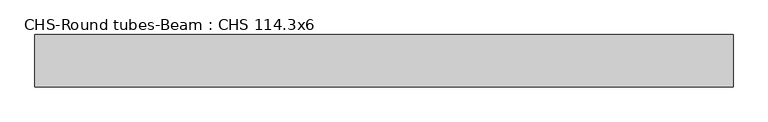
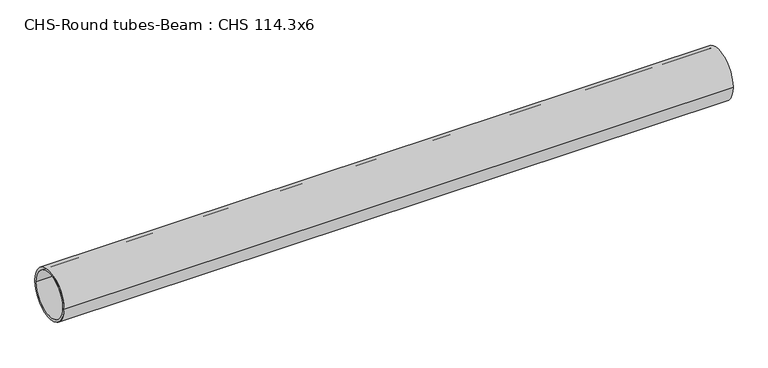
"""IFC4 building model written with IfcOpenShell, lengths in millimetres: beam geometry, CHS-Round tubes-Beam : CHS 114.3x6."""

import ifcopenshell
import ifcopenshell.guid

model = None  # the IFC model being written
_history = None  # IfcOwnerHistory: only IFC2X3 demands one
_inside = {}  # id of a spatial element -> (the spatial element, [elements in it])
_under = {}  # id of a project, library or spatial element -> (it, [spatial elements below it])
_declared = {}  # id of a project -> (the project, [libraries it declares])
_typed = {}  # id of a type object -> (the type object, [elements of that type])
_made_of = {}  # id of a material, layer set ... -> (it, [elements and type objects made of it])


def new_model(schema):
    """Start an empty IFC model of exactly this schema.

    Asked for "IFC4X3", IfcOpenShell would pick the latest addendum, in which some entities
    have other attributes; the version numbers below select the first issue.
    IFC2X3 requires an IfcOwnerHistory on every rooted entity: one is made here for all.
    """
    global model, _history
    if schema == "IFC4X3":
        model = ifcopenshell.file(schema_version=(4, 3, 0, 0))
    else:
        model = ifcopenshell.file(schema=schema)
    _inside.clear()
    _under.clear()
    _declared.clear()
    _typed.clear()
    _made_of.clear()
    _history = None
    if model.schema == "IFC2X3":
        org = make("IfcOrganization", Name="unknown")
        user = make(
            "IfcPersonAndOrganization",
            ThePerson=make("IfcPerson", FamilyName="unknown"),
            TheOrganization=org,
        )
        app = make(
            "IfcApplication",
            ApplicationDeveloper=org,
            Version="unknown",
            ApplicationFullName="unknown",
            ApplicationIdentifier="unknown",
        )
        _history = make(
            "IfcOwnerHistory",
            OwningUser=user,
            OwningApplication=app,
            ChangeAction="ADDED",
            CreationDate=0,
        )
    return model


def make(cls, **values):
    """One entity of the class cls with the attributes given. An attribute that is None is left unset."""
    return model.create_entity(
        cls, **{name: value for name, value in values.items() if value is not None}
    )


def rooted(cls, **values):
    """An entity with a GlobalId (a new one), such as an element, a storey or a relation."""
    return make(cls, GlobalId=ifcopenshell.guid.new(), OwnerHistory=_history, **values)


def si_unit(unit_type, name, prefix=None):
    """IfcSIUnit, for example si_unit("LENGTHUNIT", "METRE", prefix="MILLI")."""
    return make("IfcSIUnit", UnitType=unit_type, Prefix=prefix, Name=name)


def assignment(units):
    """IfcUnitAssignment: the units of a project."""
    return None if units is None else make("IfcUnitAssignment", Units=units)


def point(xyz):
    """IfcCartesianPoint."""
    return None if xyz is None else make("IfcCartesianPoint", Coordinates=xyz)


def direction(xyz):
    """IfcDirection."""
    return None if xyz is None else make("IfcDirection", DirectionRatios=xyz)


def frame(location, z_axis=None, x_axis=None):
    """IfcAxis2Placement3D, a coordinate frame: its origin and axes. An axis left out is left unset."""
    return make(
        "IfcAxis2Placement3D",
        Location=point(location),
        Axis=direction(z_axis),
        RefDirection=direction(x_axis),
    )


def frame_2d(location, x_axis=None):
    """IfcAxis2Placement2D, a coordinate frame in the plane: its origin and x axis."""
    return make(
        "IfcAxis2Placement2D", Location=point(location), RefDirection=direction(x_axis)
    )


def origin():
    """The frame at (0, 0, 0) with its axes left unset."""
    return frame((0.0, 0.0, 0.0))


def origin_2d():
    """The frame at (0, 0) in the plane with its x axis left unset."""
    return frame_2d((0.0, 0.0))


def place(relative_to, where):
    """IfcLocalPlacement: puts the frame where relative to a parent placement (None: the world)."""
    return make(
        "IfcLocalPlacement", PlacementRelTo=relative_to, RelativePlacement=where
    )


def context(
    kind, dimensions, precision=None, world=None, true_north=None, identifier=None
):
    """IfcGeometricRepresentationContext, for example the 3D "Model" context."""
    return make(
        "IfcGeometricRepresentationContext",
        ContextIdentifier=identifier,
        ContextType=kind,
        CoordinateSpaceDimension=dimensions,
        Precision=precision,
        WorldCoordinateSystem=world,
        TrueNorth=true_north,
    )


def project(units=None, contexts=None):
    """IfcProject with its units and contexts."""
    return rooted(
        "IfcProject",
        Name="project",
        RepresentationContexts=contexts,
        UnitsInContext=assignment(units),
    )


def spatial(cls, under=None, at=None, **own):
    """A site, building, storey or space (cls), placed at a placement, below another one or the project."""
    s = rooted(cls, ObjectPlacement=at, **own)
    if under is not None:
        _under.setdefault(under.id(), (under, []))[1].append(s)
    return s


def circle_curve(where, radius):
    """IfcCircle in the frame where."""
    return make("IfcCircle", Position=where, Radius=radius)


def trimmed(basis, trim1, trim2, sense, master):
    """IfcTrimmedCurve: the piece of a basis curve between two trims."""
    return make(
        "IfcTrimmedCurve",
        BasisCurve=basis,
        Trim1=trim1,
        Trim2=trim2,
        SenseAgreement=sense,
        MasterRepresentation=master,
    )


def segment(curve, same_sense, transition):
    """IfcCompositeCurveSegment."""
    return make(
        "IfcCompositeCurveSegment",
        Transition=transition,
        SameSense=same_sense,
        ParentCurve=curve,
    )


def composite_curve(segments, self_intersect=None):
    """IfcCompositeCurve: segments joined end to end."""
    return make("IfcCompositeCurve", Segments=segments, SelfIntersect=self_intersect)


def outline(outer, holes=None, kind="AREA"):
    """IfcArbitraryClosedProfileDef: a profile drawn as a closed curve; with holes, ...WithVoids."""
    if holes is None:
        return make("IfcArbitraryClosedProfileDef", ProfileType=kind, OuterCurve=outer)
    return make(
        "IfcArbitraryProfileDefWithVoids",
        ProfileType=kind,
        OuterCurve=outer,
        InnerCurves=holes,
    )


def extrude(swept, where, along, depth):
    """IfcExtrudedAreaSolid: the profile swept, set in the frame where, extruded along a direction by depth."""
    return make(
        "IfcExtrudedAreaSolid",
        SweptArea=swept,
        Position=where,
        ExtrudedDirection=direction(along),
        Depth=depth,
    )


def shape(context_of_items, identifier, shape_type, items):
    """IfcShapeRepresentation: the items that make up one representation, for example the "Body"."""
    return make(
        "IfcShapeRepresentation",
        ContextOfItems=context_of_items,
        RepresentationIdentifier=identifier,
        RepresentationType=shape_type,
        Items=items,
    )


def source(mapping_origin, context_of_items, identifier, shape_type, items):
    """IfcRepresentationMap: a shape defined once, which mapped items show again and again."""
    return make(
        "IfcRepresentationMap",
        MappingOrigin=mapping_origin,
        MappedRepresentation=shape(context_of_items, identifier, shape_type, items),
    )


def transform(
    local_origin,
    x_axis=None,
    y_axis=None,
    z_axis=None,
    scale=None,
    scale2=None,
    scale3=None,
    uniform=True,
):
    """IfcCartesianTransformationOperator3D, or its non-uniform kind. x_axis, y_axis, z_axis: its Axis1, 2, 3."""
    if uniform:
        return make(
            "IfcCartesianTransformationOperator3D",
            Axis1=direction(x_axis),
            Axis2=direction(y_axis),
            LocalOrigin=point(local_origin),
            Scale=scale,
            Axis3=direction(z_axis),
        )
    return make(
        "IfcCartesianTransformationOperator3DnonUniform",
        Axis1=direction(x_axis),
        Axis2=direction(y_axis),
        LocalOrigin=point(local_origin),
        Scale=scale,
        Axis3=direction(z_axis),
        Scale2=scale2,
        Scale3=scale3,
    )


def mapped(mapping_source, mapping_target):
    """IfcMappedItem: shows the shape of a source again, moved by a transform."""
    return make(
        "IfcMappedItem", MappingSource=mapping_source, MappingTarget=mapping_target
    )


def made_of(thing, what):
    """Note that an element or type object is made of a material, layer set ...; save() writes the relation."""
    if what is not None:
        _made_of.setdefault(what.id(), (what, []))[1].append(thing)
    return thing


def element(
    cls,
    number,
    at=None,
    inside=None,
    cuts=None,
    type_object=None,
    material=None,
    context=None,
    identifier="Body",
    shape_type=None,
    held_by="IfcProductDefinitionShape",
    body=None,
    shapes=None,
    **own,
):
    """One element of the class cls, such as IfcWall. Its Tag is "e" and its number.

    at: its placement. inside: the storey or other place that contains it. cuts: it is an
    opening in that element (IfcRelVoidsElement). A single representation is given by context,
    identifier, shape_type and body (its items); several are given by shapes. held_by: the class
    of the entity that holds the representations. save() writes the other relations.
    """
    e = rooted(cls, Tag="e%d" % number, ObjectPlacement=at, **own)
    if body is not None:
        shapes = [shape(context, identifier, shape_type, body)]
    if shapes is not None:
        e.Representation = make(held_by, Representations=shapes)
    if inside is not None:
        _inside.setdefault(inside.id(), (inside, []))[1].append(e)
    if cuts is not None:
        rooted(
            "IfcRelVoidsElement", RelatingBuildingElement=cuts, RelatedOpeningElement=e
        )
    if type_object is not None:
        _typed.setdefault(type_object.id(), (type_object, []))[1].append(e)
    return made_of(e, material)


def aggregate(whole, parts):
    """IfcRelAggregates: a whole, such as a stair, and the parts it consists of."""
    return rooted("IfcRelAggregates", RelatingObject=whole, RelatedObjects=parts)


def save(model, path):
    """Write the relations noted so far, then the file.

    IfcRelAggregates (storeys below a building ...), IfcRelContainedInSpatialStructure (elements
    in a storey), IfcRelDefinesByType, IfcRelAssociatesMaterial and IfcRelDeclares: one each for
    every whole, place, type object, material and project.
    """
    for whole, parts in _under.values():
        aggregate(whole, parts)
    for where, things in _inside.values():
        rooted(
            "IfcRelContainedInSpatialStructure",
            RelatedElements=things,
            RelatingStructure=where,
        )
    for kind, things in _typed.values():
        rooted("IfcRelDefinesByType", RelatedObjects=things, RelatingType=kind)
    for what, things in _made_of.values():
        rooted("IfcRelAssociatesMaterial", RelatedObjects=things, RelatingMaterial=what)
    for by, libraries in _declared.values():
        rooted("IfcRelDeclares", RelatingContext=by, RelatedDefinitions=libraries)
    model.write(path)


def chs_round_tubes_beam_chs_114_3x6_b6c91784(model_context):
    return source(origin(), model_context, "Body", "SweptSolid", [
        extrude(outline(composite_curve([segment(trimmed(circle_curve(origin_2d(), 57.15), [point((57.15, 0.0))], [point((-57.15, 0.0))], False, "CARTESIAN"), True, "CONTINUOUS"), segment(trimmed(circle_curve(origin_2d(), 57.15), [point((-57.15, 0.0))], [point((57.15, 0.0))], False, "CARTESIAN"), True, "CONTINUOUS")], self_intersect=False), holes=[composite_curve([segment(trimmed(circle_curve(origin_2d(), 51.15), [point((51.15, 0.0))], [point((-51.15, 0.0))], True, "CARTESIAN"), True, "CONTINUOUS"), segment(trimmed(circle_curve(origin_2d(), 51.15), [point((-51.15, 0.0))], [point((51.15, 0.0))], True, "CARTESIAN"), True, "CONTINUOUS")], self_intersect=False)]), frame((-744.4574116, 0.0, 0.0), z_axis=(1.0, 0.0, 0.0), x_axis=(0.0, 1.0, 0.0)), (0.0, 0.0, 1.0), 1522.3166138),
    ])


if __name__ == "__main__":
    model = new_model("IFC4")
    model_context = context("Model", 3, world=origin())
    ifc_project = project(units=[si_unit("LENGTHUNIT", "METRE", prefix="MILLI")], contexts=[model_context])
    site = spatial("IfcSite", under=ifc_project)
    building = spatial("IfcBuilding", under=site)
    placement = place(None, origin())
    chs_round_tubes_beam_chs_114_3x6_shape = chs_round_tubes_beam_chs_114_3x6_b6c91784(model_context)
    element("IfcBeam", 1, ObjectType="CHS-Round tubes-Beam : CHS 114.3x6", at=placement, inside=building, context=model_context, shape_type="MappedRepresentation", body=[
        mapped(chs_round_tubes_beam_chs_114_3x6_shape, transform((0.0, 0.0, 0.0), x_axis=(1.0, 0.0, 0.0), y_axis=(0.0, 1.0, 0.0), z_axis=(0.0, 0.0, 1.0))),
    ])
    save(model, "model.ifc")
